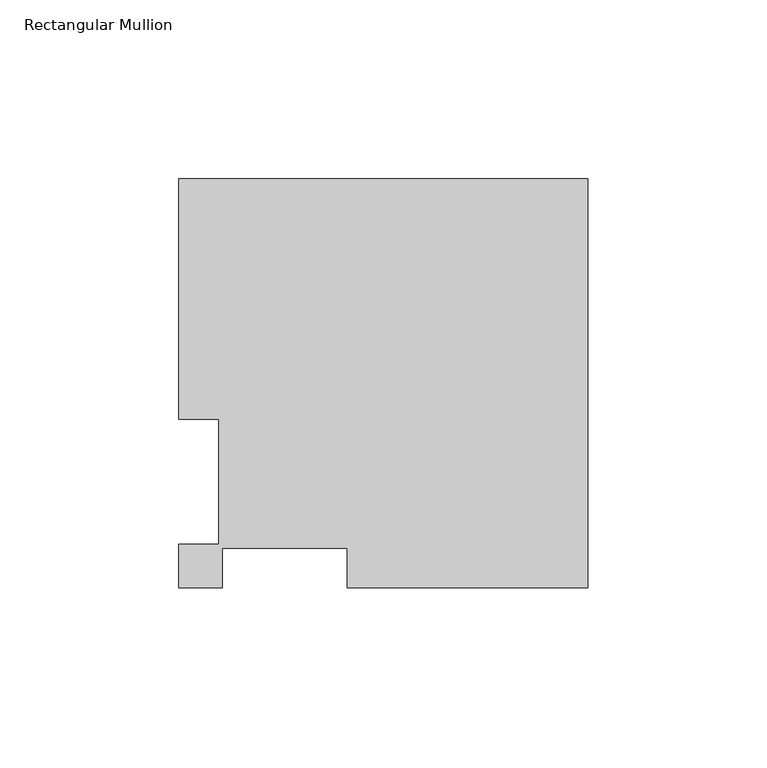
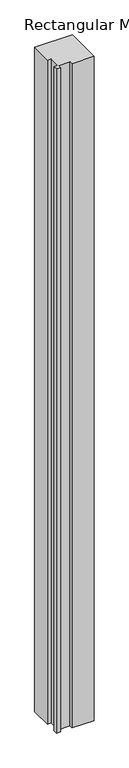
"""IFC4 building model written with IfcOpenShell, lengths in millimetres: member geometry, Rectangular Mullion."""

from ifc_helpers import new_model, si_unit, frame, origin, place, context, project, spatial, polyline, outline, extrude, source, transform, mapped, element, save


def rectangular_mullion_4eb2aee4(model_context):
    return source(origin(), model_context, "Body", "SweptSolid", [
        extrude(outline(polyline([(-114.3, 114.252375), (0.0, 114.252375), (0.0, -0.047625), (-67.183, -0.047625), (-67.183, 11.064875), (-102.108, 11.064875), (-102.108, -0.047625), (-114.3, -0.047625), (-114.3, 12.144375), (-103.1875, 12.144375), (-103.1875, 47.069375), (-114.3, 47.069375), (-114.3, 114.252375)])), frame((0.0, 0.0, -2133.6), z_axis=(0.0, 0.0, 1.0), x_axis=(1.0, 0.0, 0.0)), (0.0, 0.0, 1.0), 2133.6),
    ])


if __name__ == "__main__":
    model = new_model("IFC4")
    model_context = context("Model", 3, world=origin())
    ifc_project = project(units=[si_unit("LENGTHUNIT", "METRE", prefix="MILLI")], contexts=[model_context])
    site = spatial("IfcSite", under=ifc_project)
    building = spatial("IfcBuilding", under=site)
    placement = place(None, origin())
    rectangular_mullion_shape = rectangular_mullion_4eb2aee4(model_context)
    element("IfcMember", 1, ObjectType="Rectangular Mullion", at=placement, inside=building, context=model_context, shape_type="MappedRepresentation", body=[
        mapped(rectangular_mullion_shape, transform((0.0, 0.0, 0.0), x_axis=(1.0, 0.0, 0.0), y_axis=(0.0, 1.0, 0.0), z_axis=(0.0, 0.0, 1.0))),
    ])
    save(model, "model.ifc")
